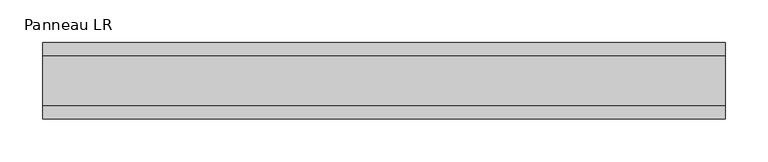
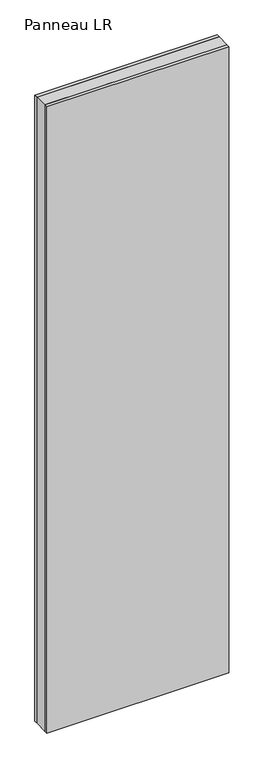
"""IFC4 building model written with IfcOpenShell, lengths in millimetres: plate geometry, Panneau LR."""

from ifc_helpers import new_model, si_unit, origin, origin_with_axes, place, context, project, spatial, polyline, outline, extrude, source, transform, mapped, element, save


def panneau_lr_c9d5b24c(model_context):
    return source(origin(), model_context, "Body", "SweptSolid", [
        extrude(outline(polyline([(400.3847577, 29.0), (400.3847577, -29.0), (-400.3847577, -29.0), (-400.3847577, 29.0), (400.3847577, 29.0)])), origin_with_axes(), (0.0, 0.0, 1.0), 2910.0),
        extrude(outline(polyline([(400.3847577, 45.0), (400.3847577, 29.0), (-400.3847577, 29.0), (-400.3847577, 45.0), (400.3847577, 45.0)])), origin_with_axes(), (0.0, 0.0, 1.0), 2910.0),
        extrude(outline(polyline([(-400.3847577, -45.0), (-400.3847577, -29.0), (400.3847577, -29.0), (400.3847577, -45.0), (-400.3847577, -45.0)])), origin_with_axes(), (0.0, 0.0, 1.0), 2910.0),
    ])


if __name__ == "__main__":
    model = new_model("IFC4")
    model_context = context("Model", 3, world=origin())
    ifc_project = project(units=[si_unit("LENGTHUNIT", "METRE", prefix="MILLI")], contexts=[model_context])
    site = spatial("IfcSite", under=ifc_project)
    building = spatial("IfcBuilding", under=site)
    placement = place(None, origin())
    panneau_lr_shape = panneau_lr_c9d5b24c(model_context)
    element("IfcPlate", 1, ObjectType="Panneau LR", at=placement, inside=building, context=model_context, shape_type="MappedRepresentation", body=[
        mapped(panneau_lr_shape, transform((0.0, 0.0, 0.0), x_axis=(1.0, 0.0, 0.0), y_axis=(0.0, 1.0, 0.0), z_axis=(0.0, 0.0, 1.0))),
    ])
    save(model, "model.ifc")
